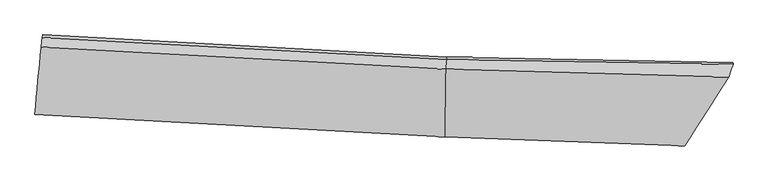
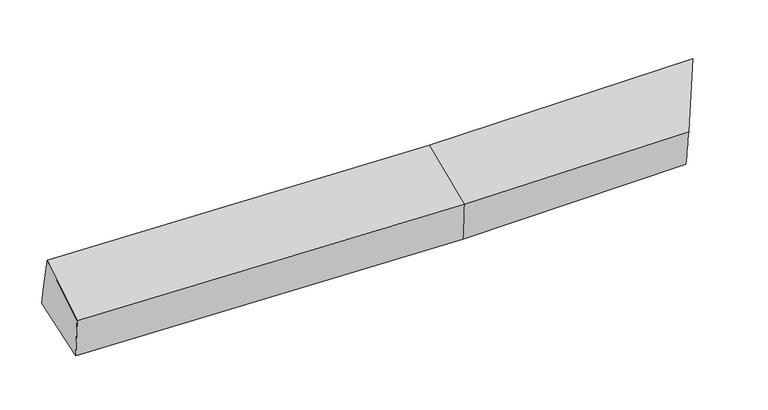
"""IFC4 building model written with IfcOpenShell, lengths in millimetres: proxy geometry."""

from ifc_helpers import new_model, si_unit, frame, origin, place, context, project, spatial, source, transform, mapped, element, save
from ifc_brep_helpers import plane_surface, spline_surface, advanced_brep


def generic_models_753ce5f3(model_context):
    return source(origin(), model_context, "Body", "AdvancedBrep", [
        advanced_brep(
        [(-3292.9080152, -1848.3454542, 2077.0372848), (-3287.1928516, -1814.2606305, 1687.8845652), (424.249756, -2019.3811018, 1733.1422725), (416.472035, -2053.3454882, 2122.2697645), (-3223.1533191, -1126.3825402, 1800.679384), (437.9635002, -1328.5643791, 1845.3215438), (-3226.4875571, -1151.2808364, 1954.4144195), (434.6292622, -1353.4626753, 1999.0565794), (-3236.927884, -1237.1764424, 2319.8101496), (426.0930529, -1439.4694669, 2364.4755992), (3029.7271385, -1394.1614925, 2033.3588309), (2988.7893996, -1509.7493407, 2415.3567231), (2590.7400624, -2133.4508248, 2168.469737), (2610.3814299, -2050.7284717, 1769.2741462), (3027.9544938, -1378.6195946, 1887.1825579)],
        [
            (0, 1),
            (1, 2),
            (2, 3),
            (3, 0),
            (1, 4),
            (4, 5),
            (5, 1),
            (4, 6),
            (6, 7),
            (7, 5),
            (6, 8),
            (8, 9),
            (9, 7),
            (8, 0),
            (3, 9),
            (10, 11),
            (11, 12),
            (12, 13),
            (13, 14),
            (14, 10),
            (5, 2),
            (9, 11),
            (10, 7),
            (3, 12),
            (2, 13),
            (5, 14),
        ],
        [
            spline_surface(1, 1, [[(-3292.9080152, -1848.3454542, 2077.0372848), (416.472035, -2053.3454882, 2122.2697645)], [(-3287.1928516, -1814.2606305, 1687.8845652), (424.249756, -2019.3811018, 1733.1422725)]], [2, 2], [2, 2], [0.0, 1.0], [0.0, 1.0]),
            plane_surface(frame((-3255.1730853, -1470.3215854, 1744.2819746), z_axis=(0.020863650256743606, 0.15988702165225807, -0.9869148131450529), x_axis=(0.09148504648765679, 0.9826829861501586, 0.16113545544093807))),
            plane_surface(frame((-3224.8204381, -1138.8316883, 1877.5469018), z_axis=(0.05246847777755613, 0.9855977165563707, 0.16076131362543117), x_axis=(-0.021404345103430353, -0.15983613740468983, 0.986911476876342))),
            spline_surface(1, 1, [[(-3226.4875571, -1151.2808364, 1954.4144195), (434.6292622, -1353.4626753, 1999.0565794)], [(-3236.927884, -1237.1764424, 2319.8101496), (426.0930529, -1439.4694669, 2364.4755992)]], [2, 2], [2, 2], [0.0, 1.0], [0.0, 1.0]),
            spline_surface(1, 1, [[(-3236.927884, -1237.1764424, 2319.8101496), (426.0930529, -1439.4694669, 2364.4755992)], [(-3292.9080152, -1848.3454542, 2077.0372848), (416.472035, -2053.3454882, 2122.2697645)]], [2, 2], [2, 2], [0.0, 1.0], [0.0, 1.0]),
            plane_surface(frame((2849.5185048, -1693.3419448, 2054.728399), z_axis=(0.8526974870505067, -0.5182892519786052, -0.06544651909161452), x_axis=(-0.10203905695759095, -0.2881076326562052, 0.9521460092131052))),
            plane_surface(frame((-3253.3339254, -1435.4891808, 1967.9651606), z_axis=(-0.9955763859593331, 0.09373664123788358, -0.006411069301872737), x_axis=(0.08481838065191234, 0.9260136542743572, 0.36783767398274836))),
            plane_surface(frame((-3287.1928516, -1814.2606305, 1687.8845652), z_axis=(0.020868958208694346, 0.15984830752956108, -0.9869209720961547), x_axis=(0.019591063196599524, 0.9868810323731272, 0.16025610186503841))),
            spline_surface(1, 1, [[(434.6292622, -1353.4626753, 1999.0565794), (3029.7271385, -1394.1614925, 2033.3588309)], [(426.0930529, -1439.4694669, 2364.4755992), (2988.7893996, -1509.7493407, 2415.3567231)]], [2, 2], [2, 2], [0.0, 1.0], [0.0, 1.0]),
            spline_surface(1, 1, [[(426.0930529, -1439.4694669, 2364.4755992), (2988.7893996, -1509.7493407, 2415.3567231)], [(416.472035, -2053.3454882, 2122.2697645), (2590.7400624, -2133.4508248, 2168.469737)]], [2, 2], [2, 2], [0.0, 1.0], [0.0, 1.0]),
            spline_surface(1, 1, [[(416.472035, -2053.3454882, 2122.2697645), (2590.7400624, -2133.4508248, 2168.469737)], [(424.249756, -2019.3811018, 1733.1422725), (2610.3814299, -2050.7284717, 1769.2741462)]], [2, 2], [2, 2], [0.0, 1.0], [0.0, 1.0]),
            spline_surface(1, 1, [[(424.249756, -2019.3811018, 1733.1422725), (2610.3814299, -2050.7284717, 1769.2741462)], [(437.9635002, -1328.5643791, 1845.3215438), (3027.9544938, -1378.6195946, 1887.1825579)]], [2, 2], [2, 2], [0.0, 1.0], [0.0, 1.0]),
            spline_surface(1, 1, [[(437.9635002, -1328.5643791, 1845.3215438), (3027.9544938, -1378.6195946, 1887.1825579)], [(434.6292622, -1353.4626753, 1999.0565794), (3029.7271385, -1394.1614925, 2033.3588309)]], [2, 2], [2, 2], [0.0, 1.0], [0.0, 1.0]),
        ],
        [
            (0, [[1, 2, 3, 4]]),
            (1, [[5, 6, 7]]),
            (2, [[8, 9, 10, -6]]),
            (3, [[11, 12, 13, -9]]),
            (4, [[14, -4, 15, -12]]),
            (5, [[16, 17, 18, 19, 20]]),
            (6, [[-14, -11, -8, -5, -1]]),
            (7, [[21, -2, -7]]),
            (8, [[-13, 22, -16, 23]]),
            (9, [[-15, 24, -17, -22]]),
            (10, [[-3, 25, -18, -24]]),
            (11, [[-21, 26, -19, -25]]),
            (12, [[-10, -23, -20, -26]]),
        ],
    ),
    ])


if __name__ == "__main__":
    model = new_model("IFC4")
    model_context = context("Model", 3, world=origin())
    ifc_project = project(units=[si_unit("LENGTHUNIT", "METRE", prefix="MILLI")], contexts=[model_context])
    site = spatial("IfcSite", under=ifc_project)
    building = spatial("IfcBuilding", under=site)
    placement = place(None, origin())
    generic_models_shape = generic_models_753ce5f3(model_context)
    element("IfcBuildingElementProxy", 1, Name="Generic Models", at=placement, inside=building, context=model_context, shape_type="MappedRepresentation", body=[
        mapped(generic_models_shape, transform((0.0, 0.0, 0.0), x_axis=(1.0, 0.0, 0.0), y_axis=(0.0, 1.0, 0.0), z_axis=(0.0, 0.0, 1.0))),
    ])
    save(model, "model.ifc")
